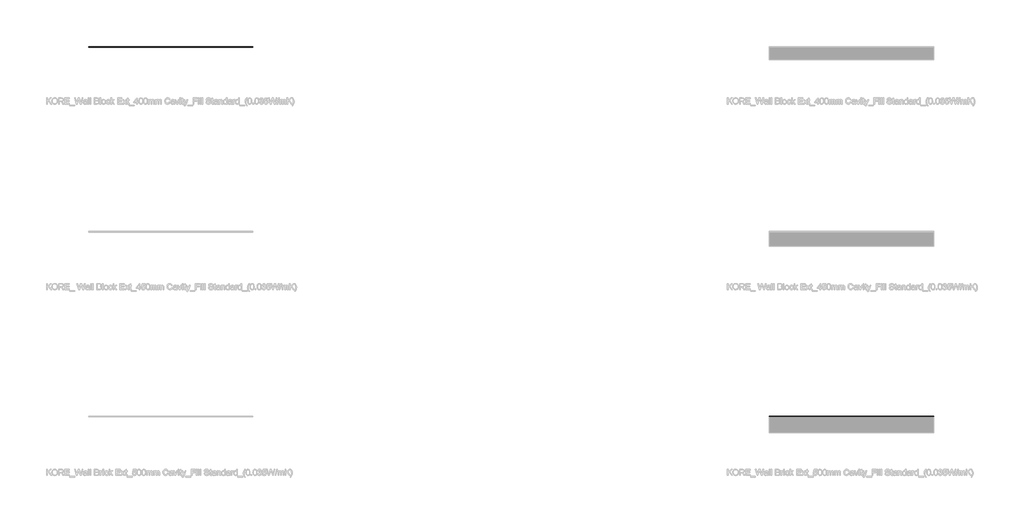
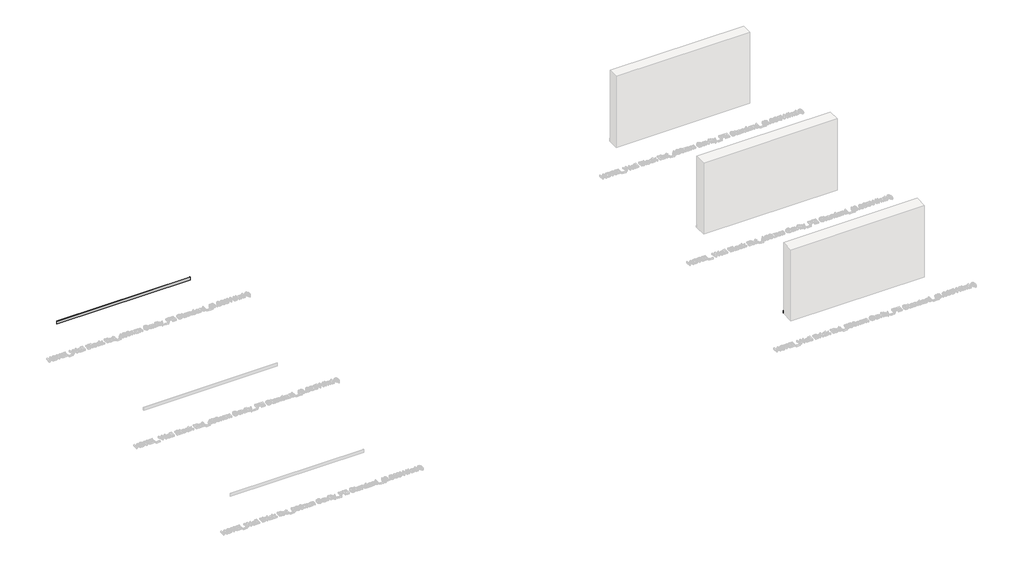
# One storey, part 41 of 60: 2 proxies.
"""IFC4 building model written with IfcOpenShell, lengths in millimetres."""

from ifc_helpers import new_model, si_unit, point, frame, frame_2d, origin, place, context, project, spatial, polyline, circle_curve, trimmed, segment, composite_curve, outline, extrude, element, save

model = new_model("IFC4")

# Units and contexts
model_context = context("Model", 3, world=origin())
ifc_project = project(units=[si_unit("LENGTHUNIT", "METRE", prefix="MILLI")], contexts=[model_context])

# Site, building, storey
site = spatial("IfcSite", under=ifc_project)
building = spatial("IfcBuilding", under=site)
storey = spatial("IfcBuildingStorey", under=building, Elevation=0.0)

# Proxies
placement = place(None, origin())
element("IfcBuildingElementProxy", 1, Name="Wall Sweeps", at=placement, inside=storey, context=model_context, shape_type="SweptSolid", body=[
    extrude(outline(composite_curve([segment(polyline([(12215.4236863, 134.5), (12224.4236863, 134.5), (12224.4236863, 125.2473165)]), True, "CONTINUOUS"), segment(trimmed(circle_curve(frame_2d((12214.8063342, 113.7361681)), 15.0), [point((12224.4236863, 125.2473165))], [point((12229.8063342, 113.7361681))], False, "CARTESIAN"), True, "CONTINUOUS"), segment(polyline([(12229.8063342, 113.7361681), (12229.8063342, 94.9145021), (12233.4236863, 86.1071309), (12233.4236863, 14.5), (12215.4236863, 14.5), (12215.4236863, 134.5)]), True, "CONTINUOUS")], self_intersect=False)), frame((61930.0129216, 0.0, 0.0), z_axis=(1.0, 0.0, 0.0), x_axis=(0.0, 1.0, 0.0)), (0.0, 0.0, 1.0), 5310.0),
])
element("IfcBuildingElementProxy", 2, Name="Wall Sweeps", at=placement, inside=storey, context=model_context, shape_type="SweptSolid", body=[
    extrude(outline(composite_curve([segment(polyline([(265.4236863, 129.5), (274.4236863, 129.5), (274.4236863, 120.2473165)]), True, "CONTINUOUS"), segment(trimmed(circle_curve(frame_2d((264.8063342, 108.7361681)), 15.0), [point((274.4236863, 120.2473165))], [point((279.8063342, 108.7361681))], False, "CARTESIAN"), True, "CONTINUOUS"), segment(polyline([(279.8063342, 108.7361681), (279.8063342, 89.9145021), (283.4236863, 81.1071309), (283.4236863, 9.5), (265.4236863, 9.5), (265.4236863, 129.5)]), True, "CONTINUOUS")], self_intersect=False)), frame((83930.0129216, 0.0, 0.0), z_axis=(1.0, 0.0, 0.0), x_axis=(0.0, 1.0, 0.0)), (0.0, 0.0, 1.0), 5310.0),
])

save(model, "model.ifc")
